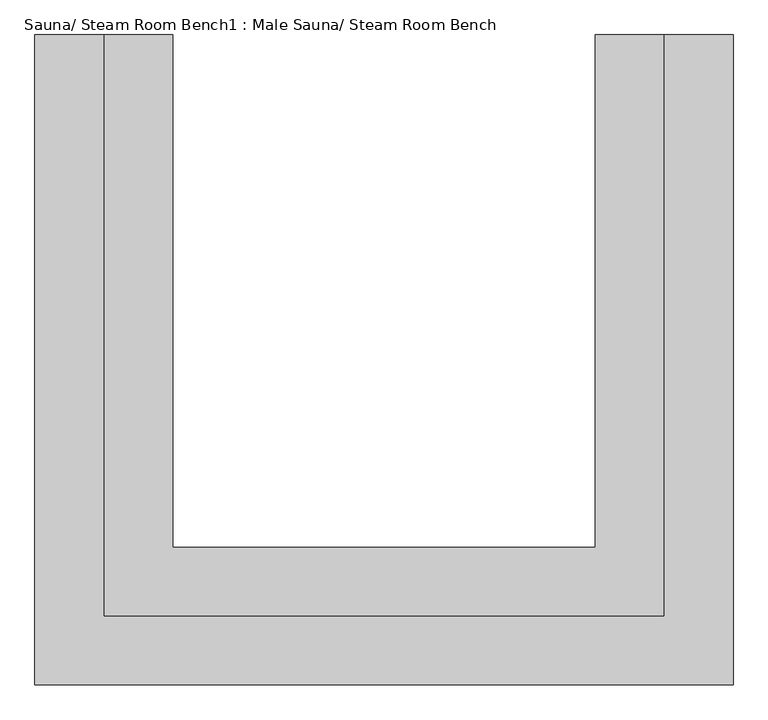
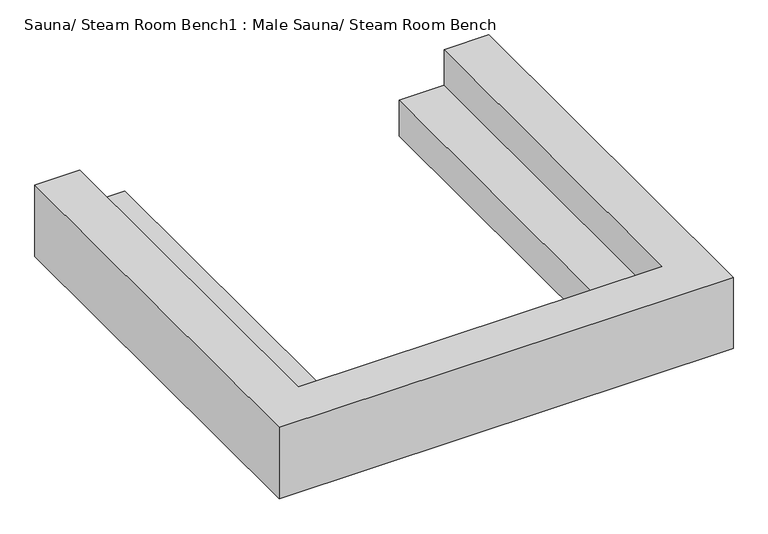
"""IFC4 building model written with IfcOpenShell, lengths in millimetres: proxy geometry, Sauna/ Steam Room Bench1 : Male Sauna/ Steam Room Bench."""

from ifc_helpers import new_model, si_unit, origin, origin_with_axes, place, context, project, spatial, polyline, outline, extrude, source, transform, mapped, element, save


def sauna_steam_room_bench1_male_sauna_steam_room_bench_3fba0e3b(model_context):
    return source(origin(), model_context, "Body", "SweptSolid", [
        extrude(outline(polyline([(458632.6943921, -273557.8233948), (454711.7778208, -273557.8233948), (454711.7778208, -269487.4765979), (455194.3778208, -269487.4765979), (455194.3778208, -273075.2233948), (458150.0943921, -273075.2233948), (458150.0943921, -269487.4765979), (458632.6943921, -269487.4765979), (458632.6943921, -273557.8233948)])), origin_with_axes(), (0.0, 0.0, 1.0), 406.4),
        extrude(outline(polyline([(454711.7778208, -273557.8233948), (458632.6943921, -273557.8233948), (458632.6943921, -269487.4765979), (459115.2943921, -269487.4765979), (459115.2943921, -274040.4233948), (454229.1778208, -274040.4233948), (454229.1778208, -269487.4765979), (454711.7778208, -269487.4765979), (454711.7778208, -273557.8233948)])), origin_with_axes(), (0.0, 0.0, 1.0), 812.8),
    ])


if __name__ == "__main__":
    model = new_model("IFC4")
    model_context = context("Model", 3, world=origin())
    ifc_project = project(units=[si_unit("LENGTHUNIT", "METRE", prefix="MILLI")], contexts=[model_context])
    site = spatial("IfcSite", under=ifc_project)
    building = spatial("IfcBuilding", under=site)
    placement = place(None, origin())
    sauna_steam_room_bench1_male_sauna_steam_room_bench_shape = sauna_steam_room_bench1_male_sauna_steam_room_bench_3fba0e3b(model_context)
    element("IfcBuildingElementProxy", 1, Name="Sauna/ Steam Room Bench1 : Male Sauna/ Steam Room Bench", ObjectType="Sauna/ Steam Room Bench1 : Male Sauna/ Steam Room Bench", at=placement, inside=building, context=model_context, shape_type="MappedRepresentation", body=[
        mapped(sauna_steam_room_bench1_male_sauna_steam_room_bench_shape, transform((0.0, 0.0, 0.0), x_axis=(1.0, 0.0, 0.0), y_axis=(0.0, 1.0, 0.0), z_axis=(0.0, 0.0, 1.0))),
    ])
    save(model, "model.ifc")
